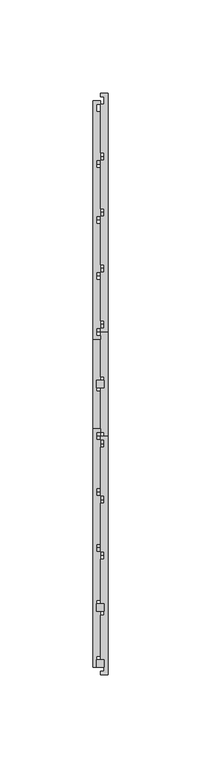
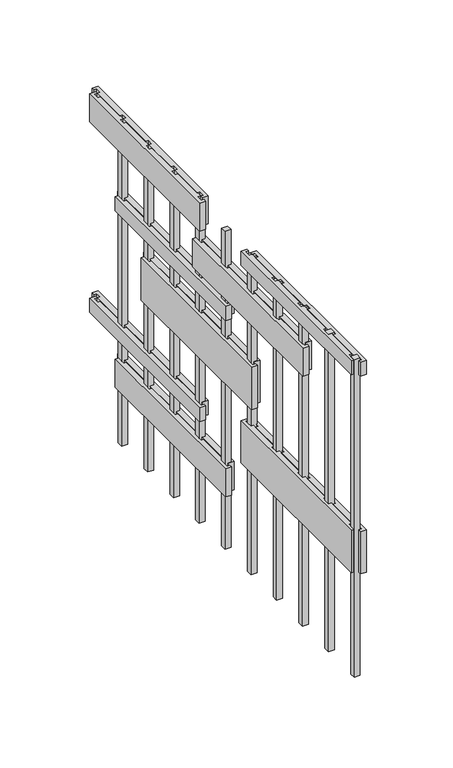
"""IFC4 building model written with IfcOpenShell, lengths in millimetres: proxy geometry."""

from ifc_helpers import new_model, si_unit, frame, origin, origin_with_axes, place, context, project, spatial, polyline, outline, extrude, source, transform, mapped, element, save


def generic_models_87909cd1(model_context):
    return source(origin(), model_context, "Body", "SweptSolid", [
        extrude(outline(polyline([(2.0, -242.0), (-2.0, -242.0), (-2.0, -238.0), (2.0, -238.0), (2.0, -242.0)])), origin_with_axes(), (0.0, 0.0, 1.0), 225.0),
        extrude(outline(polyline([(2.0, -272.0), (-2.0, -272.0), (-2.0, -268.0), (2.0, -268.0), (2.0, -272.0)])), origin_with_axes(), (0.0, 0.0, 1.0), 225.0),
        extrude(outline(polyline([(4.0, 36.0), (4.0, -92.0), (0.0, -92.0), (0.0, -90.0), (2.0, -90.0), (2.0, -86.0), (0.0, -86.0), (0.0, -60.0), (2.0, -60.0), (2.0, -56.0), (0.0, -56.0), (0.0, -30.0), (2.0, -30.0), (2.0, -26.0), (0.0, -26.0), (0.0, 0.0), (2.0, 0.0), (2.0, 4.0), (0.0, 4.0), (0.0, 30.0), (2.0, 30.0), (2.0, 34.0), (0.0, 34.0), (0.0, 36.0), (4.0, 36.0)])), frame((0.0, 0.0, 75.0), z_axis=(0.0, 0.0, 1.0), x_axis=(1.0, 0.0, 0.0)), (0.0, 0.0, 1.0), 10.0),
        extrude(outline(polyline([(4.0, 6.0), (4.0, -122.0), (0.0, -122.0), (0.0, -120.0), (2.0, -120.0), (2.0, -116.0), (0.0, -116.0), (0.0, -90.0), (2.0, -90.0), (2.0, -86.0), (0.0, -86.0), (0.0, -60.0), (2.0, -60.0), (2.0, -56.0), (0.0, -56.0), (0.0, -30.0), (2.0, -30.0), (2.0, -26.0), (0.0, -26.0), (0.0, 0.0), (2.0, 0.0), (2.0, 4.0), (0.0, 4.0), (0.0, 6.0), (4.0, 6.0)])), frame((0.0, 0.0, 40.0), z_axis=(0.0, 0.0, 1.0), x_axis=(1.0, 0.0, 0.0)), (0.0, 0.0, 1.0), 20.0),
        extrude(outline(polyline([(4.0, -148.0), (4.0, -276.0), (0.0, -276.0), (0.0, -274.0), (2.0, -274.0), (2.0, -270.0), (0.0, -270.0), (0.0, -244.0), (2.0, -244.0), (2.0, -240.0), (0.0, -240.0), (0.0, -214.0), (2.0, -214.0), (2.0, -210.0), (0.0, -210.0), (0.0, -184.0), (2.0, -184.0), (2.0, -180.0), (0.0, -180.0), (0.0, -154.0), (2.0, -154.0), (2.0, -150.0), (0.0, -150.0), (0.0, -148.0), (4.0, -148.0)])), frame((0.0, 0.0, 75.0), z_axis=(0.0, 0.0, 1.0), x_axis=(1.0, 0.0, 0.0)), (0.0, 0.0, 1.0), 30.0),
        extrude(outline(polyline([(4.0, -24.0), (4.0, -152.0), (0.0, -152.0), (0.0, -150.0), (2.0, -150.0), (2.0, -146.0), (0.0, -146.0), (0.0, -120.0), (2.0, -120.0), (2.0, -116.0), (0.0, -116.0), (0.0, -90.0), (2.0, -90.0), (2.0, -86.0), (0.0, -86.0), (0.0, -60.0), (2.0, -60.0), (2.0, -56.0), (0.0, -56.0), (0.0, -30.0), (2.0, -30.0), (2.0, -26.0), (0.0, -26.0), (0.0, -24.0), (4.0, -24.0)])), frame((0.0, 0.0, 120.0), z_axis=(0.0, 0.0, 1.0), x_axis=(1.0, 0.0, 0.0)), (0.0, 0.0, 1.0), 30.0),
        extrude(outline(polyline([(4.0, 6.0), (4.0, -122.0), (0.0, -122.0), (0.0, -120.0), (2.0, -120.0), (2.0, -116.0), (0.0, -116.0), (0.0, -90.0), (2.0, -90.0), (2.0, -86.0), (0.0, -86.0), (0.0, -60.0), (2.0, -60.0), (2.0, -56.0), (0.0, -56.0), (0.0, -30.0), (2.0, -30.0), (2.0, -26.0), (0.0, -26.0), (0.0, 0.0), (2.0, 0.0), (2.0, 4.0), (0.0, 4.0), (0.0, 6.0), (4.0, 6.0)])), frame((0.0, 0.0, 165.0), z_axis=(0.0, 0.0, 1.0), x_axis=(1.0, 0.0, 0.0)), (0.0, 0.0, 1.0), 10.0),
        extrude(outline(polyline([(4.0, -84.0), (4.0, -212.0), (0.0, -212.0), (0.0, -210.0), (2.0, -210.0), (2.0, -206.0), (0.0, -206.0), (0.0, -180.0), (2.0, -180.0), (2.0, -176.0), (0.0, -176.0), (0.0, -150.0), (2.0, -150.0), (2.0, -146.0), (0.0, -146.0), (0.0, -120.0), (2.0, -120.0), (2.0, -116.0), (0.0, -116.0), (0.0, -90.0), (2.0, -90.0), (2.0, -86.0), (0.0, -86.0), (0.0, -84.0), (4.0, -84.0)])), frame((0.0, 0.0, 180.0), z_axis=(0.0, 0.0, 1.0), x_axis=(1.0, 0.0, 0.0)), (0.0, 0.0, 1.0), 20.0),
        extrude(outline(polyline([(4.0, -148.0), (4.0, -276.0), (0.0, -276.0), (0.0, -274.0), (2.0, -274.0), (2.0, -270.0), (0.0, -270.0), (0.0, -244.0), (2.0, -244.0), (2.0, -240.0), (0.0, -240.0), (0.0, -214.0), (2.0, -214.0), (2.0, -210.0), (0.0, -210.0), (0.0, -184.0), (2.0, -184.0), (2.0, -180.0), (0.0, -180.0), (0.0, -154.0), (2.0, -154.0), (2.0, -150.0), (0.0, -150.0), (0.0, -148.0), (4.0, -148.0)])), frame((0.0, 0.0, 215.0), z_axis=(0.0, 0.0, 1.0), x_axis=(1.0, 0.0, 0.0)), (0.0, 0.0, 1.0), 10.0),
        extrude(outline(polyline([(4.0, 36.0), (4.0, -92.0), (0.0, -92.0), (0.0, -90.0), (2.0, -90.0), (2.0, -86.0), (0.0, -86.0), (0.0, -60.0), (2.0, -60.0), (2.0, -56.0), (0.0, -56.0), (0.0, -30.0), (2.0, -30.0), (2.0, -26.0), (0.0, -26.0), (0.0, 0.0), (2.0, 0.0), (2.0, 4.0), (0.0, 4.0), (0.0, 30.0), (2.0, 30.0), (2.0, 34.0), (0.0, 34.0), (0.0, 36.0), (4.0, 36.0)])), frame((0.0, 0.0, 210.0), z_axis=(0.0, 0.0, 1.0), x_axis=(1.0, 0.0, 0.0)), (0.0, 0.0, 1.0), 20.0),
        extrude(outline(polyline([(-4.0, -272.0), (-4.0, -144.0), (0.0, -144.0), (0.0, -146.0), (-2.0, -146.0), (-2.0, -150.0), (0.0, -150.0), (0.0, -176.0), (-2.0, -176.0), (-2.0, -180.0), (0.0, -180.0), (0.0, -206.0), (-2.0, -206.0), (-2.0, -210.0), (0.0, -210.0), (0.0, -236.0), (-2.0, -236.0), (-2.0, -240.0), (0.0, -240.0), (0.0, -266.0), (-2.0, -266.0), (-2.0, -270.0), (0.0, -270.0), (0.0, -272.0), (-4.0, -272.0)])), frame((0.0, 0.0, 215.0), z_axis=(0.0, 0.0, 1.0), x_axis=(1.0, 0.0, 0.0)), (0.0, 0.0, 1.0), 10.0),
        extrude(outline(polyline([(-4.0, -272.0), (-4.0, -144.0), (0.0, -144.0), (0.0, -146.0), (-2.0, -146.0), (-2.0, -150.0), (0.0, -150.0), (0.0, -176.0), (-2.0, -176.0), (-2.0, -180.0), (0.0, -180.0), (0.0, -206.0), (-2.0, -206.0), (-2.0, -210.0), (0.0, -210.0), (0.0, -236.0), (-2.0, -236.0), (-2.0, -240.0), (0.0, -240.0), (0.0, -266.0), (-2.0, -266.0), (-2.0, -270.0), (0.0, -270.0), (0.0, -272.0), (-4.0, -272.0)])), frame((0.0, 0.0, 75.0), z_axis=(0.0, 0.0, 1.0), x_axis=(1.0, 0.0, 0.0)), (0.0, 0.0, 1.0), 30.0),
        extrude(outline(polyline([(-4.0, -96.0), (-4.0, 32.0), (0.0, 32.0), (0.0, 30.0), (-2.0, 30.0), (-2.0, 26.0), (0.0, 26.0), (0.0, 0.0), (-2.0, 0.0), (-2.0, -4.0), (0.0, -4.0), (0.0, -30.0), (-2.0, -30.0), (-2.0, -34.0), (0.0, -34.0), (0.0, -60.0), (-2.0, -60.0), (-2.0, -64.0), (0.0, -64.0), (0.0, -90.0), (-2.0, -90.0), (-2.0, -94.0), (0.0, -94.0), (0.0, -96.0), (-4.0, -96.0)])), frame((0.0, 0.0, 210.0), z_axis=(0.0, 0.0, 1.0), x_axis=(1.0, 0.0, 0.0)), (0.0, 0.0, 1.0), 20.0),
        extrude(outline(polyline([(2.0, -212.0), (-2.0, -212.0), (-2.0, -208.0), (2.0, -208.0), (2.0, -212.0)])), origin_with_axes(), (0.0, 0.0, 1.0), 225.0),
        extrude(outline(polyline([(2.0, -182.0), (-2.0, -182.0), (-2.0, -178.0), (2.0, -178.0), (2.0, -182.0)])), origin_with_axes(), (0.0, 0.0, 1.0), 225.0),
        extrude(outline(polyline([(-4.0, -216.0), (-4.0, -88.0), (0.0, -88.0), (0.0, -90.0), (-2.0, -90.0), (-2.0, -94.0), (0.0, -94.0), (0.0, -120.0), (-2.0, -120.0), (-2.0, -124.0), (0.0, -124.0), (0.0, -150.0), (-2.0, -150.0), (-2.0, -154.0), (0.0, -154.0), (0.0, -180.0), (-2.0, -180.0), (-2.0, -184.0), (0.0, -184.0), (0.0, -210.0), (-2.0, -210.0), (-2.0, -214.0), (0.0, -214.0), (0.0, -216.0), (-4.0, -216.0)])), frame((0.0, 0.0, 180.0), z_axis=(0.0, 0.0, 1.0), x_axis=(1.0, 0.0, 0.0)), (0.0, 0.0, 1.0), 20.0),
        extrude(outline(polyline([(-4.0, -96.0), (-4.0, 32.0), (0.0, 32.0), (0.0, 30.0), (-2.0, 30.0), (-2.0, 26.0), (0.0, 26.0), (0.0, 0.0), (-2.0, 0.0), (-2.0, -4.0), (0.0, -4.0), (0.0, -30.0), (-2.0, -30.0), (-2.0, -34.0), (0.0, -34.0), (0.0, -60.0), (-2.0, -60.0), (-2.0, -64.0), (0.0, -64.0), (0.0, -90.0), (-2.0, -90.0), (-2.0, -94.0), (0.0, -94.0), (0.0, -96.0), (-4.0, -96.0)])), frame((0.0, 0.0, 75.0), z_axis=(0.0, 0.0, 1.0), x_axis=(1.0, 0.0, 0.0)), (0.0, 0.0, 1.0), 10.0),
        extrude(outline(polyline([(-4.0, -126.0), (-4.0, 2.0), (0.0, 2.0), (0.0, 0.0), (-2.0, 0.0), (-2.0, -4.0), (0.0, -4.0), (0.0, -30.0), (-2.0, -30.0), (-2.0, -34.0), (0.0, -34.0), (0.0, -60.0), (-2.0, -60.0), (-2.0, -64.0), (0.0, -64.0), (0.0, -90.0), (-2.0, -90.0), (-2.0, -94.0), (0.0, -94.0), (0.0, -120.0), (-2.0, -120.0), (-2.0, -124.0), (0.0, -124.0), (0.0, -126.0), (-4.0, -126.0)])), frame((0.0, 0.0, 40.0), z_axis=(0.0, 0.0, 1.0), x_axis=(1.0, 0.0, 0.0)), (0.0, 0.0, 1.0), 20.0),
        extrude(outline(polyline([(-4.0, -156.0), (-4.0, -28.0), (0.0, -28.0), (0.0, -30.0), (-2.0, -30.0), (-2.0, -34.0), (0.0, -34.0), (0.0, -60.0), (-2.0, -60.0), (-2.0, -64.0), (0.0, -64.0), (0.0, -90.0), (-2.0, -90.0), (-2.0, -94.0), (0.0, -94.0), (0.0, -120.0), (-2.0, -120.0), (-2.0, -124.0), (0.0, -124.0), (0.0, -150.0), (-2.0, -150.0), (-2.0, -154.0), (0.0, -154.0), (0.0, -156.0), (-4.0, -156.0)])), frame((0.0, 0.0, 120.0), z_axis=(0.0, 0.0, 1.0), x_axis=(1.0, 0.0, 0.0)), (0.0, 0.0, 1.0), 30.0),
        extrude(outline(polyline([(-4.0, -126.0), (-4.0, 2.0), (0.0, 2.0), (0.0, 0.0), (-2.0, 0.0), (-2.0, -4.0), (0.0, -4.0), (0.0, -30.0), (-2.0, -30.0), (-2.0, -34.0), (0.0, -34.0), (0.0, -60.0), (-2.0, -60.0), (-2.0, -64.0), (0.0, -64.0), (0.0, -90.0), (-2.0, -90.0), (-2.0, -94.0), (0.0, -94.0), (0.0, -120.0), (-2.0, -120.0), (-2.0, -124.0), (0.0, -124.0), (0.0, -126.0), (-4.0, -126.0)])), frame((0.0, 0.0, 165.0), z_axis=(0.0, 0.0, 1.0), x_axis=(1.0, 0.0, 0.0)), (0.0, 0.0, 1.0), 10.0),
        extrude(outline(polyline([(2.0, -148.0), (2.0, -152.0), (-2.0, -152.0), (-2.0, -148.0), (2.0, -148.0)])), origin_with_axes(), (0.0, 0.0, 1.0), 225.0),
        extrude(outline(polyline([(2.0, -118.0), (2.0, -122.0), (-2.0, -122.0), (-2.0, -118.0), (2.0, -118.0)])), origin_with_axes(), (0.0, 0.0, 1.0), 225.0),
        extrude(outline(polyline([(2.0, -88.0), (2.0, -92.0), (-2.0, -92.0), (-2.0, -88.0), (2.0, -88.0)])), origin_with_axes(), (0.0, 0.0, 1.0), 225.0),
        extrude(outline(polyline([(2.0, -58.0), (2.0, -62.0), (-2.0, -62.0), (-2.0, -58.0), (2.0, -58.0)])), origin_with_axes(), (0.0, 0.0, 1.0), 225.0),
        extrude(outline(polyline([(2.0, -28.0), (2.0, -32.0), (-2.0, -32.0), (-2.0, -28.0), (2.0, -28.0)])), origin_with_axes(), (0.0, 0.0, 1.0), 225.0),
        extrude(outline(polyline([(2.0, 2.0), (2.0, -2.0), (-2.0, -2.0), (-2.0, 2.0), (2.0, 2.0)])), origin_with_axes(), (0.0, 0.0, 1.0), 225.0),
    ])


if __name__ == "__main__":
    model = new_model("IFC4")
    model_context = context("Model", 3, world=origin())
    ifc_project = project(units=[si_unit("LENGTHUNIT", "METRE", prefix="MILLI")], contexts=[model_context])
    site = spatial("IfcSite", under=ifc_project)
    building = spatial("IfcBuilding", under=site)
    placement = place(None, origin())
    generic_models_shape = generic_models_87909cd1(model_context)
    element("IfcBuildingElementProxy", 1, Name="Generic Models", at=placement, inside=building, context=model_context, shape_type="MappedRepresentation", body=[
        mapped(generic_models_shape, transform((0.0, 0.0, 0.0), x_axis=(1.0, 0.0, 0.0), y_axis=(0.0, 1.0, 0.0), z_axis=(0.0, 0.0, 1.0))),
    ])
    save(model, "model.ifc")
